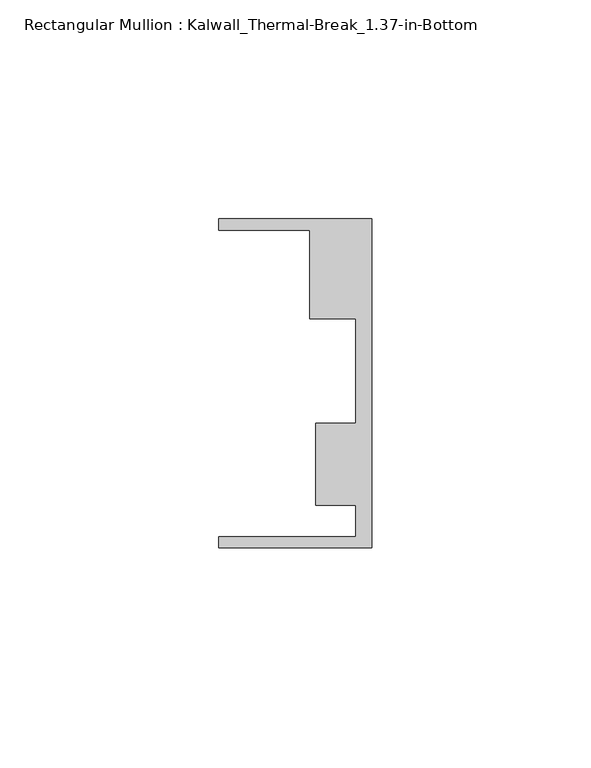
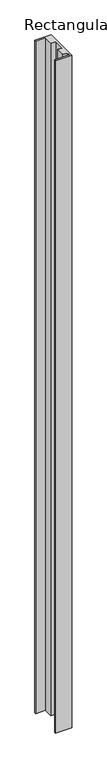
"""IFC4 building model written with IfcOpenShell, lengths in millimetres: member geometry, Rectangular Mullion : Kalwall_Thermal-Break_1.37-in-Bottom."""

from ifc_helpers import new_model, si_unit, frame, origin, place, context, project, spatial, polyline, outline, extrude, source, transform, mapped, element, save


def rectangular_mullion_kalwall_thermal_break_1_37_in_bottom_49dad494(model_context):
    return source(origin(), model_context, "Body", "SweptSolid", [
        extrude(outline(polyline([(0.0, -37.5776386), (-34.925, -37.5776386), (-34.925, -35.0376386), (-3.7084, -35.0376386), (-3.7084, -27.8888568), (-12.8272539, -27.8888568), (-12.8272539, -9.1879886), (-3.7084, -9.1879886), (-3.7084, 14.7812677), (-14.1882812, 14.7812677), (-14.1882812, 34.9623614), (-34.925, 34.9623614), (-34.925, 37.5023614), (0.0, 37.5023614), (0.0, -37.5776386)])), frame((0.0, 0.0, -1516.2310003), z_axis=(0.0, 0.0, 1.0), x_axis=(1.0, 0.0, 0.0)), (0.0, 0.0, 1.0), 1516.2310003),
    ])


if __name__ == "__main__":
    model = new_model("IFC4")
    model_context = context("Model", 3, world=origin())
    ifc_project = project(units=[si_unit("LENGTHUNIT", "METRE", prefix="MILLI")], contexts=[model_context])
    site = spatial("IfcSite", under=ifc_project)
    building = spatial("IfcBuilding", under=site)
    placement = place(None, origin())
    rectangular_mullion_kalwall_thermal_break_1_37_in_bottom_shape = rectangular_mullion_kalwall_thermal_break_1_37_in_bottom_49dad494(model_context)
    element("IfcMember", 1, ObjectType="Rectangular Mullion : Kalwall_Thermal-Break_1.37-in-Bottom", at=placement, inside=building, context=model_context, shape_type="MappedRepresentation", body=[
        mapped(rectangular_mullion_kalwall_thermal_break_1_37_in_bottom_shape, transform((0.0, 0.0, 0.0), x_axis=(1.0, 0.0, 0.0), y_axis=(0.0, 1.0, 0.0), z_axis=(0.0, 0.0, 1.0))),
    ])
    save(model, "model.ifc")
